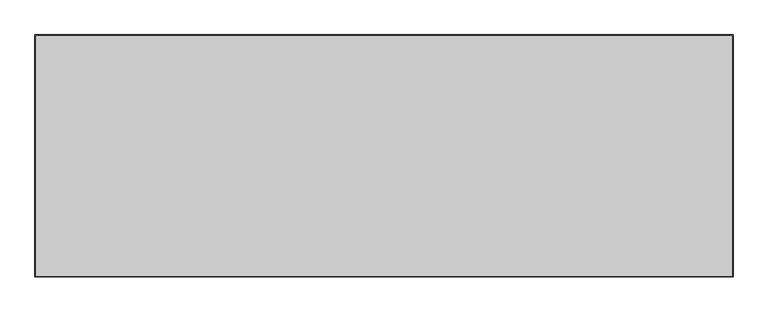
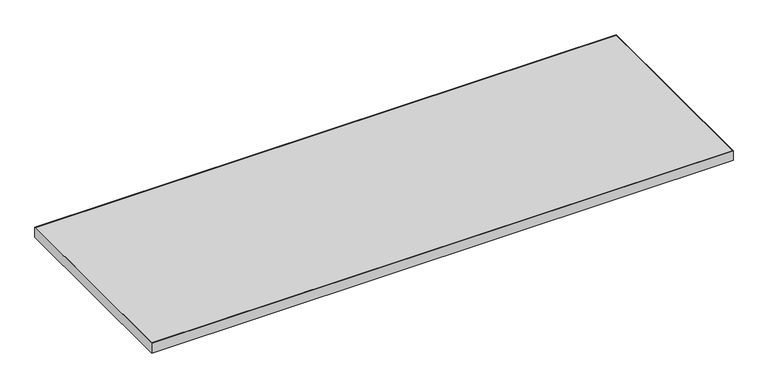
"""IFC4 building model written with IfcOpenShell, lengths in millimetres: furniture geometry."""

from ifc_helpers import new_model, si_unit, frame, origin, place, context, project, spatial, polyline, outline, extrude, source, transform, mapped, element, save


def furniture_d07a20dc(model_context):
    return source(origin(), model_context, "Body", "SweptSolid", [
        extrude(outline(polyline([(911.2758, 831.9008), (911.2758, 253.9492), (-758.8758, 253.9492), (-758.8758, 831.9008), (911.2758, 831.9008)])), frame((0.0, 0.0, 707.009), z_axis=(0.0, 0.0, 1.0), x_axis=(1.0, 0.0, 0.0)), (0.0, 0.0, 1.0), 29.591),
        extrude(outline(polyline([(912.8633, 252.3617), (-760.4633, 252.3617), (-760.4633, 833.4883), (912.8633, 833.4883), (912.8633, 252.3617)]), holes=[polyline([(911.2758, 831.9008), (-758.8758, 831.9008), (-758.8758, 253.9492), (911.2758, 253.9492), (911.2758, 831.9008)])]), frame((0.0, 0.0, 707.009), z_axis=(0.0, 0.0, 1.0), x_axis=(1.0, 0.0, 0.0)), (0.0, 0.0, 1.0), 29.591),
    ])


if __name__ == "__main__":
    model = new_model("IFC4")
    model_context = context("Model", 3, world=origin())
    ifc_project = project(units=[si_unit("LENGTHUNIT", "METRE", prefix="MILLI")], contexts=[model_context])
    site = spatial("IfcSite", under=ifc_project)
    building = spatial("IfcBuilding", under=site)
    placement = place(None, origin())
    furniture_shape = furniture_d07a20dc(model_context)
    element("IfcFurniture", 1, at=placement, inside=building, context=model_context, shape_type="MappedRepresentation", body=[
        mapped(furniture_shape, transform((0.0, 0.0, 0.0), x_axis=(1.0, 0.0, 0.0), y_axis=(0.0, 1.0, 0.0), z_axis=(0.0, 0.0, 1.0))),
    ])
    save(model, "model.ifc")
